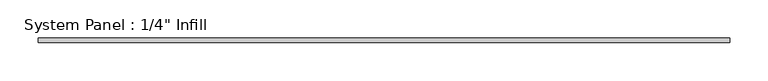
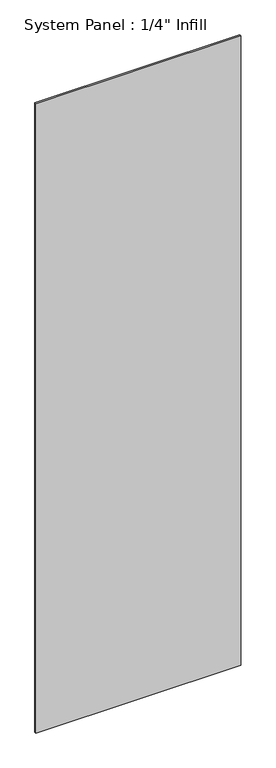
"""IFC4 building model written with IfcOpenShell, lengths in millimetres: plate geometry."""

from ifc_helpers import new_model, si_unit, origin, origin_with_axes, place, context, project, spatial, polyline, outline, extrude, source, transform, mapped, element, save


def plate_a84b1b44(model_context):
    return source(origin(), model_context, "Body", "SweptSolid", [
        extrude(outline(polyline([(454.0250951, 25.4), (-454.0250951, 25.4), (-454.0250951, 31.75), (454.0250951, 31.75), (454.0250951, 25.4)])), origin_with_axes(), (0.0, 0.0, 1.0), 2946.4),
    ])


if __name__ == "__main__":
    model = new_model("IFC4")
    model_context = context("Model", 3, world=origin())
    ifc_project = project(units=[si_unit("LENGTHUNIT", "METRE", prefix="MILLI")], contexts=[model_context])
    site = spatial("IfcSite", under=ifc_project)
    building = spatial("IfcBuilding", under=site)
    placement = place(None, origin())
    plate_shape = plate_a84b1b44(model_context)
    element("IfcPlate", 1, ObjectType="System Panel : 1/4\" Infill", at=placement, inside=building, context=model_context, shape_type="MappedRepresentation", body=[
        mapped(plate_shape, transform((0.0, 0.0, 0.0), x_axis=(1.0, 0.0, 0.0), y_axis=(0.0, 1.0, 0.0), z_axis=(0.0, 0.0, 1.0))),
    ])
    save(model, "model.ifc")
